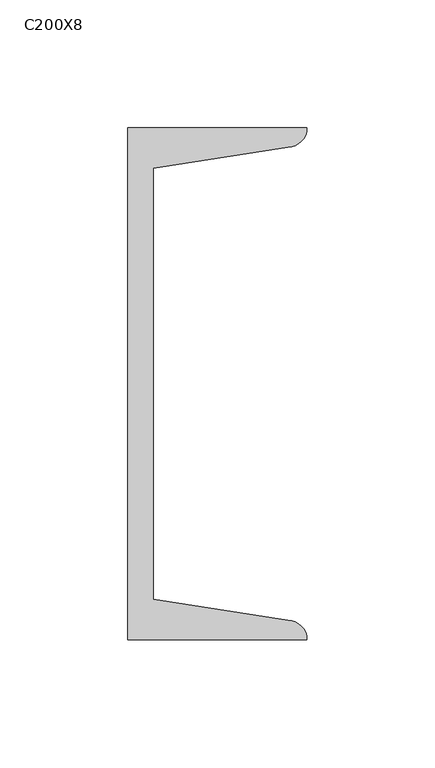
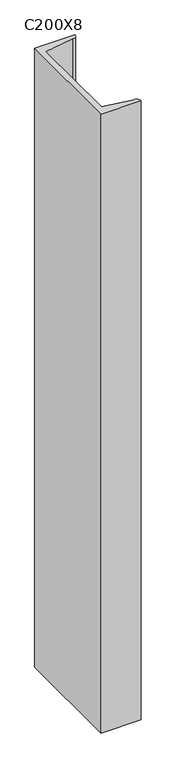
"""IFC4 building model written with IfcOpenShell, lengths in millimetres: column geometry, C200X8."""

import ifcopenshell
import ifcopenshell.guid

model = None  # the IFC model being written
_history = None  # IfcOwnerHistory: only IFC2X3 demands one
_inside = {}  # id of a spatial element -> (the spatial element, [elements in it])
_under = {}  # id of a project, library or spatial element -> (it, [spatial elements below it])
_declared = {}  # id of a project -> (the project, [libraries it declares])
_typed = {}  # id of a type object -> (the type object, [elements of that type])
_made_of = {}  # id of a material, layer set ... -> (it, [elements and type objects made of it])


def new_model(schema):
    """Start an empty IFC model of exactly this schema.

    Asked for "IFC4X3", IfcOpenShell would pick the latest addendum, in which some entities
    have other attributes; the version numbers below select the first issue.
    IFC2X3 requires an IfcOwnerHistory on every rooted entity: one is made here for all.
    """
    global model, _history
    if schema == "IFC4X3":
        model = ifcopenshell.file(schema_version=(4, 3, 0, 0))
    else:
        model = ifcopenshell.file(schema=schema)
    _inside.clear()
    _under.clear()
    _declared.clear()
    _typed.clear()
    _made_of.clear()
    _history = None
    if model.schema == "IFC2X3":
        org = make("IfcOrganization", Name="unknown")
        user = make(
            "IfcPersonAndOrganization",
            ThePerson=make("IfcPerson", FamilyName="unknown"),
            TheOrganization=org,
        )
        app = make(
            "IfcApplication",
            ApplicationDeveloper=org,
            Version="unknown",
            ApplicationFullName="unknown",
            ApplicationIdentifier="unknown",
        )
        _history = make(
            "IfcOwnerHistory",
            OwningUser=user,
            OwningApplication=app,
            ChangeAction="ADDED",
            CreationDate=0,
        )
    return model


def make(cls, **values):
    """One entity of the class cls with the attributes given. An attribute that is None is left unset."""
    return model.create_entity(
        cls, **{name: value for name, value in values.items() if value is not None}
    )


def rooted(cls, **values):
    """An entity with a GlobalId (a new one), such as an element, a storey or a relation."""
    return make(cls, GlobalId=ifcopenshell.guid.new(), OwnerHistory=_history, **values)


def si_unit(unit_type, name, prefix=None):
    """IfcSIUnit, for example si_unit("LENGTHUNIT", "METRE", prefix="MILLI")."""
    return make("IfcSIUnit", UnitType=unit_type, Prefix=prefix, Name=name)


def assignment(units):
    """IfcUnitAssignment: the units of a project."""
    return None if units is None else make("IfcUnitAssignment", Units=units)


def point(xyz):
    """IfcCartesianPoint."""
    return None if xyz is None else make("IfcCartesianPoint", Coordinates=xyz)


def direction(xyz):
    """IfcDirection."""
    return None if xyz is None else make("IfcDirection", DirectionRatios=xyz)


def frame(location, z_axis=None, x_axis=None):
    """IfcAxis2Placement3D, a coordinate frame: its origin and axes. An axis left out is left unset."""
    return make(
        "IfcAxis2Placement3D",
        Location=point(location),
        Axis=direction(z_axis),
        RefDirection=direction(x_axis),
    )


def frame_2d(location, x_axis=None):
    """IfcAxis2Placement2D, a coordinate frame in the plane: its origin and x axis."""
    return make(
        "IfcAxis2Placement2D", Location=point(location), RefDirection=direction(x_axis)
    )


def origin():
    """The frame at (0, 0, 0) with its axes left unset."""
    return frame((0.0, 0.0, 0.0))


def place(relative_to, where):
    """IfcLocalPlacement: puts the frame where relative to a parent placement (None: the world)."""
    return make(
        "IfcLocalPlacement", PlacementRelTo=relative_to, RelativePlacement=where
    )


def context(
    kind, dimensions, precision=None, world=None, true_north=None, identifier=None
):
    """IfcGeometricRepresentationContext, for example the 3D "Model" context."""
    return make(
        "IfcGeometricRepresentationContext",
        ContextIdentifier=identifier,
        ContextType=kind,
        CoordinateSpaceDimension=dimensions,
        Precision=precision,
        WorldCoordinateSystem=world,
        TrueNorth=true_north,
    )


def project(units=None, contexts=None):
    """IfcProject with its units and contexts."""
    return rooted(
        "IfcProject",
        Name="project",
        RepresentationContexts=contexts,
        UnitsInContext=assignment(units),
    )


def spatial(cls, under=None, at=None, **own):
    """A site, building, storey or space (cls), placed at a placement, below another one or the project."""
    s = rooted(cls, ObjectPlacement=at, **own)
    if under is not None:
        _under.setdefault(under.id(), (under, []))[1].append(s)
    return s


def polyline(points):
    """IfcPolyline through the points."""
    return make("IfcPolyline", Points=[point(p) for p in points])


def circle_curve(where, radius):
    """IfcCircle in the frame where."""
    return make("IfcCircle", Position=where, Radius=radius)


def trimmed(basis, trim1, trim2, sense, master):
    """IfcTrimmedCurve: the piece of a basis curve between two trims."""
    return make(
        "IfcTrimmedCurve",
        BasisCurve=basis,
        Trim1=trim1,
        Trim2=trim2,
        SenseAgreement=sense,
        MasterRepresentation=master,
    )


def segment(curve, same_sense, transition):
    """IfcCompositeCurveSegment."""
    return make(
        "IfcCompositeCurveSegment",
        Transition=transition,
        SameSense=same_sense,
        ParentCurve=curve,
    )


def composite_curve(segments, self_intersect=None):
    """IfcCompositeCurve: segments joined end to end."""
    return make("IfcCompositeCurve", Segments=segments, SelfIntersect=self_intersect)


def outline(outer, holes=None, kind="AREA"):
    """IfcArbitraryClosedProfileDef: a profile drawn as a closed curve; with holes, ...WithVoids."""
    if holes is None:
        return make("IfcArbitraryClosedProfileDef", ProfileType=kind, OuterCurve=outer)
    return make(
        "IfcArbitraryProfileDefWithVoids",
        ProfileType=kind,
        OuterCurve=outer,
        InnerCurves=holes,
    )


def extrude(swept, where, along, depth):
    """IfcExtrudedAreaSolid: the profile swept, set in the frame where, extruded along a direction by depth."""
    return make(
        "IfcExtrudedAreaSolid",
        SweptArea=swept,
        Position=where,
        ExtrudedDirection=direction(along),
        Depth=depth,
    )


def shape(context_of_items, identifier, shape_type, items):
    """IfcShapeRepresentation: the items that make up one representation, for example the "Body"."""
    return make(
        "IfcShapeRepresentation",
        ContextOfItems=context_of_items,
        RepresentationIdentifier=identifier,
        RepresentationType=shape_type,
        Items=items,
    )


def source(mapping_origin, context_of_items, identifier, shape_type, items):
    """IfcRepresentationMap: a shape defined once, which mapped items show again and again."""
    return make(
        "IfcRepresentationMap",
        MappingOrigin=mapping_origin,
        MappedRepresentation=shape(context_of_items, identifier, shape_type, items),
    )


def transform(
    local_origin,
    x_axis=None,
    y_axis=None,
    z_axis=None,
    scale=None,
    scale2=None,
    scale3=None,
    uniform=True,
):
    """IfcCartesianTransformationOperator3D, or its non-uniform kind. x_axis, y_axis, z_axis: its Axis1, 2, 3."""
    if uniform:
        return make(
            "IfcCartesianTransformationOperator3D",
            Axis1=direction(x_axis),
            Axis2=direction(y_axis),
            LocalOrigin=point(local_origin),
            Scale=scale,
            Axis3=direction(z_axis),
        )
    return make(
        "IfcCartesianTransformationOperator3DnonUniform",
        Axis1=direction(x_axis),
        Axis2=direction(y_axis),
        LocalOrigin=point(local_origin),
        Scale=scale,
        Axis3=direction(z_axis),
        Scale2=scale2,
        Scale3=scale3,
    )


def mapped(mapping_source, mapping_target):
    """IfcMappedItem: shows the shape of a source again, moved by a transform."""
    return make(
        "IfcMappedItem", MappingSource=mapping_source, MappingTarget=mapping_target
    )


def made_of(thing, what):
    """Note that an element or type object is made of a material, layer set ...; save() writes the relation."""
    if what is not None:
        _made_of.setdefault(what.id(), (what, []))[1].append(thing)
    return thing


def element(
    cls,
    number,
    at=None,
    inside=None,
    cuts=None,
    type_object=None,
    material=None,
    context=None,
    identifier="Body",
    shape_type=None,
    held_by="IfcProductDefinitionShape",
    body=None,
    shapes=None,
    **own,
):
    """One element of the class cls, such as IfcWall. Its Tag is "e" and its number.

    at: its placement. inside: the storey or other place that contains it. cuts: it is an
    opening in that element (IfcRelVoidsElement). A single representation is given by context,
    identifier, shape_type and body (its items); several are given by shapes. held_by: the class
    of the entity that holds the representations. save() writes the other relations.
    """
    e = rooted(cls, Tag="e%d" % number, ObjectPlacement=at, **own)
    if body is not None:
        shapes = [shape(context, identifier, shape_type, body)]
    if shapes is not None:
        e.Representation = make(held_by, Representations=shapes)
    if inside is not None:
        _inside.setdefault(inside.id(), (inside, []))[1].append(e)
    if cuts is not None:
        rooted(
            "IfcRelVoidsElement", RelatingBuildingElement=cuts, RelatedOpeningElement=e
        )
    if type_object is not None:
        _typed.setdefault(type_object.id(), (type_object, []))[1].append(e)
    return made_of(e, material)


def aggregate(whole, parts):
    """IfcRelAggregates: a whole, such as a stair, and the parts it consists of."""
    return rooted("IfcRelAggregates", RelatingObject=whole, RelatedObjects=parts)


def save(model, path):
    """Write the relations noted so far, then the file.

    IfcRelAggregates (storeys below a building ...), IfcRelContainedInSpatialStructure (elements
    in a storey), IfcRelDefinesByType, IfcRelAssociatesMaterial and IfcRelDeclares: one each for
    every whole, place, type object, material and project.
    """
    for whole, parts in _under.values():
        aggregate(whole, parts)
    for where, things in _inside.values():
        rooted(
            "IfcRelContainedInSpatialStructure",
            RelatedElements=things,
            RelatingStructure=where,
        )
    for kind, things in _typed.values():
        rooted("IfcRelDefinesByType", RelatedObjects=things, RelatingType=kind)
    for what, things in _made_of.values():
        rooted("IfcRelAssociatesMaterial", RelatedObjects=things, RelatingMaterial=what)
    for by, libraries in _declared.values():
        rooted("IfcRelDeclares", RelatingContext=by, RelatedDefinitions=libraries)
    model.write(path)


def c200x8_d1e3d41e(model_context):
    return source(origin(), model_context, "Body", "SweptSolid", [
        extrude(outline(composite_curve([segment(polyline([(5.0, 100.0), (75.0, 100.0)]), True, "CONTINUOUS"), segment(trimmed(circle_curve(frame_2d((67.5, 100.0)), 7.5), [point((75.0, 100.0))], [point((67.5, 92.5))], False, "CARTESIAN"), True, "CONTINUOUS"), segment(polyline([(67.5, 92.5), (15.0, 84.1848169), (15.0, -84.1848169), (67.5, -92.5)]), True, "CONTINUOUS"), segment(trimmed(circle_curve(frame_2d((67.5, -100.0)), 7.5), [point((67.5, -92.5))], [point((75.0, -100.0))], False, "CARTESIAN"), True, "CONTINUOUS"), segment(polyline([(75.0, -100.0), (5.0, -100.0), (5.0, 100.0)]), True, "CONTINUOUS")], self_intersect=False)), frame((0.0, 0.0, 8970.0), z_axis=(0.0, 0.0, 1.0), x_axis=(1.0, 0.0, 0.0)), (0.0, 0.0, 1.0), 1140.0),
    ])


if __name__ == "__main__":
    model = new_model("IFC4")
    model_context = context("Model", 3, world=origin())
    ifc_project = project(units=[si_unit("LENGTHUNIT", "METRE", prefix="MILLI")], contexts=[model_context])
    site = spatial("IfcSite", under=ifc_project)
    building = spatial("IfcBuilding", under=site)
    placement = place(None, origin())
    c200x8_shape = c200x8_d1e3d41e(model_context)
    element("IfcColumn", 1, ObjectType="C200X8", at=placement, inside=building, context=model_context, shape_type="MappedRepresentation", body=[
        mapped(c200x8_shape, transform((0.0, 0.0, 0.0), x_axis=(1.0, 0.0, 0.0), y_axis=(0.0, 1.0, 0.0), z_axis=(0.0, 0.0, 1.0))),
    ])
    save(model, "model.ifc")
